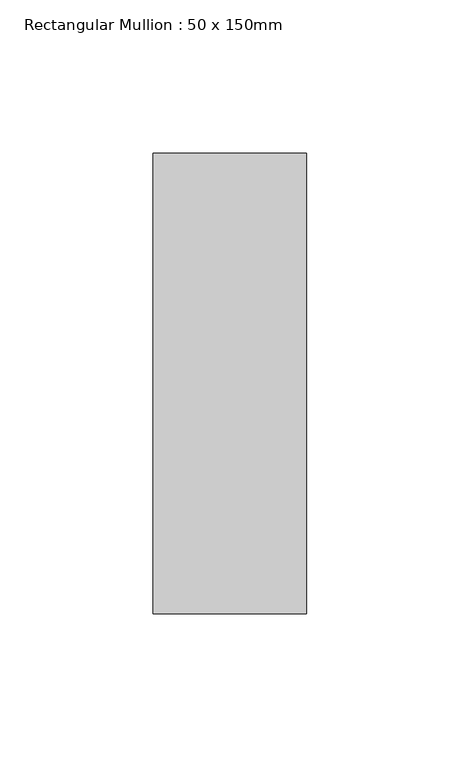
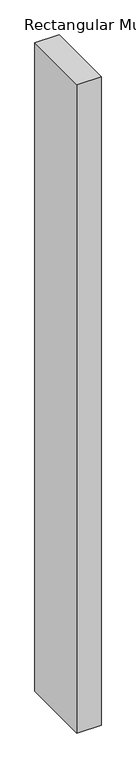
"""IFC4 building model written with IfcOpenShell, lengths in millimetres: member geometry, Rectangular Mullion : 50 x 150mm."""

from ifc_helpers import new_model, si_unit, frame, origin, place, context, project, spatial, polyline, outline, extrude, source, transform, mapped, element, save


def rectangular_mullion_50_x_150mm_eacfab1f(model_context):
    return source(origin(), model_context, "Body", "SweptSolid", [
        extrude(outline(polyline([(0.0, 75.0), (0.0, -75.0), (-50.0, -75.0), (-50.0, 75.0), (0.0, 75.0)])), frame((0.0, 0.0, -1416.6666667), z_axis=(0.0, 0.0, 1.0), x_axis=(1.0, 0.0, 0.0)), (0.0, 0.0, 1.0), 1416.6666667),
    ])


if __name__ == "__main__":
    model = new_model("IFC4")
    model_context = context("Model", 3, world=origin())
    ifc_project = project(units=[si_unit("LENGTHUNIT", "METRE", prefix="MILLI")], contexts=[model_context])
    site = spatial("IfcSite", under=ifc_project)
    building = spatial("IfcBuilding", under=site)
    placement = place(None, origin())
    rectangular_mullion_50_x_150mm_shape = rectangular_mullion_50_x_150mm_eacfab1f(model_context)
    element("IfcMember", 1, ObjectType="Rectangular Mullion : 50 x 150mm", at=placement, inside=building, context=model_context, shape_type="MappedRepresentation", body=[
        mapped(rectangular_mullion_50_x_150mm_shape, transform((0.0, 0.0, 0.0), x_axis=(1.0, 0.0, 0.0), y_axis=(0.0, 1.0, 0.0), z_axis=(0.0, 0.0, 1.0))),
    ])
    save(model, "model.ifc")
